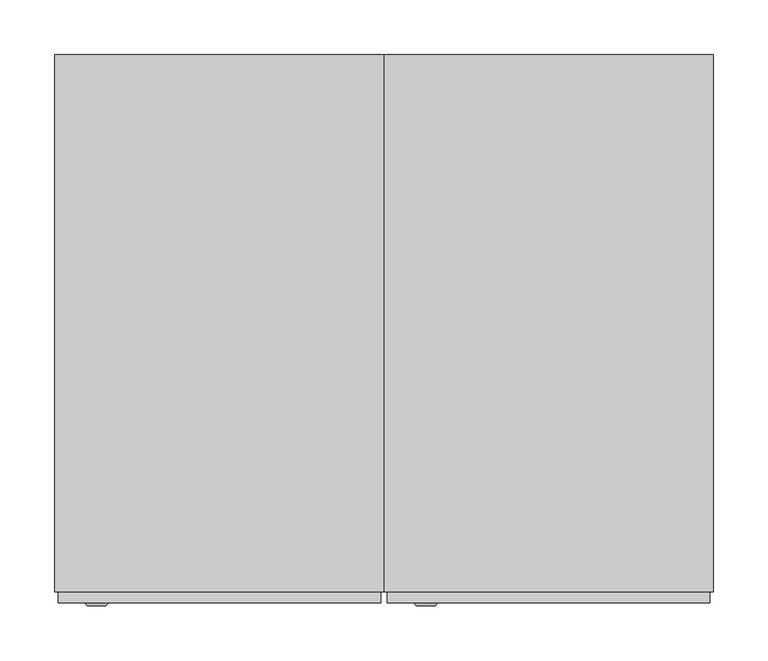
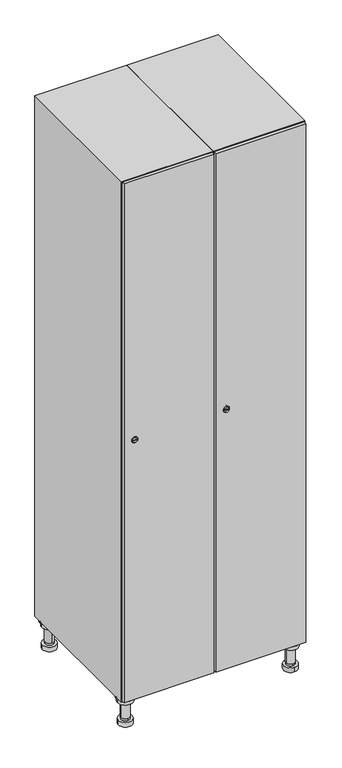
"""IFC4 building model written with IfcOpenShell, lengths in millimetres: furniture geometry."""

from ifc_helpers import new_model, si_unit, point, frame, frame_2d, origin, place, context, project, spatial, polyline, circle_curve, trimmed, segment, composite_curve, outline, extrude, faceted_brep, source, transform, mapped, element, save
from ifc_brep_helpers import plane_surface, cylinder_surface, revolved_surface, advanced_brep


def furniture_2d29ff12(model_context):
    return source(origin(), model_context, "Body", "SolidModel", [
        advanced_brep(
        [(370.0, -201.0, 22.0), (370.0, -201.5, 16.0), (370.0, -228.5, 16.0), (370.0, -229.0, 22.0), (356.0, -215.0, 22.0), (384.0, -215.0, 22.0), (370.0, -192.5, 16.0), (370.0, -237.5, 16.0), (370.0, -192.5, 0.0), (370.0, -237.5, 0.0), (384.0, -215.0, 78.0), (356.0, -215.0, 78.0), (395.0, -215.0, 78.0), (345.0, -215.0, 78.0), (400.0, -215.0, 94.0), (340.0, -215.0, 94.0), (345.0, -215.0, 94.0), (395.0, -215.0, 94.0), (400.0, -215.0, 100.0), (340.0, -215.0, 100.0)],
        [
            (0, 1),
            (1, 2, circle_curve(frame((370.0, -215.0, 16.0), z_axis=(0.0, 0.0, 1.0), x_axis=(0.0, -1.0, 0.0)), 13.5)),
            (2, 3),
            (3, 4, circle_curve(frame((370.0, -215.0, 22.0), z_axis=(0.0, 0.0, -1.0), x_axis=(0.0, -1.0, 0.0)), 14.0)),
            (4, 0, circle_curve(frame((370.0, -215.0, 22.0), z_axis=(0.0, 0.0, -1.0), x_axis=(0.0, -1.0, 0.0)), 14.0)),
            (0, 5, circle_curve(frame((370.0, -215.0, 22.0), z_axis=(0.0, 0.0, -1.0), x_axis=(0.0, 1.0, 0.0)), 14.0)),
            (5, 3, circle_curve(frame((370.0, -215.0, 22.0), z_axis=(0.0, 0.0, -1.0), x_axis=(0.0, 1.0, 0.0)), 14.0)),
            (2, 1, circle_curve(frame((370.0, -215.0, 16.0), z_axis=(0.0, 0.0, 1.0), x_axis=(0.0, 1.0, 0.0)), 13.5)),
            (6, 7, circle_curve(frame((370.0, -215.0, 16.0), z_axis=(0.0, 0.0, 1.0), x_axis=(0.0, -1.0, 0.0)), 22.5)),
            (7, 6, circle_curve(frame((370.0, -215.0, 16.0), z_axis=(0.0, 0.0, 1.0), x_axis=(0.0, -1.0, 0.0)), 22.5)),
            (8, 9, circle_curve(frame((370.0, -215.0, 0.0), z_axis=(0.0, 0.0, -1.0), x_axis=(0.0, -1.0, 0.0)), 22.5)),
            (9, 8, circle_curve(frame((370.0, -215.0, 0.0), z_axis=(0.0, 0.0, -1.0), x_axis=(0.0, -1.0, 0.0)), 22.5)),
            (6, 8),
            (9, 7),
            (5, 10),
            (10, 11, circle_curve(frame((370.0, -215.0, 78.0), z_axis=(0.0, 0.0, -1.0), x_axis=(-1.0, 0.0, 0.0)), 14.0)),
            (11, 4),
            (11, 10, circle_curve(frame((370.0, -215.0, 78.0), z_axis=(0.0, 0.0, -1.0), x_axis=(-1.0, 0.0, 0.0)), 14.0)),
            (12, 13, circle_curve(frame((370.0, -215.0, 78.0), z_axis=(0.0, 0.0, -1.0), x_axis=(-1.0, 0.0, 0.0)), 25.0)),
            (13, 12, circle_curve(frame((370.0, -215.0, 78.0), z_axis=(0.0, 0.0, -1.0), x_axis=(-1.0, 0.0, 0.0)), 25.0)),
            (14, 15, circle_curve(frame((370.0, -215.0, 94.0), z_axis=(0.0, 0.0, -1.0), x_axis=(-1.0, 0.0, 0.0)), 30.0)),
            (15, 14, circle_curve(frame((370.0, -215.0, 94.0), z_axis=(0.0, 0.0, -1.0), x_axis=(-1.0, 0.0, 0.0)), 30.0)),
            (16, 17, circle_curve(frame((370.0, -215.0, 94.0), z_axis=(0.0, 0.0, 1.0), x_axis=(-1.0, 0.0, 0.0)), 25.0)),
            (17, 16, circle_curve(frame((370.0, -215.0, 94.0), z_axis=(0.0, 0.0, 1.0), x_axis=(-1.0, 0.0, 0.0)), 25.0)),
            (18, 19, circle_curve(frame((370.0, -215.0, 100.0), z_axis=(0.0, 0.0, 1.0), x_axis=(-1.0, 0.0, 0.0)), 30.0)),
            (19, 18, circle_curve(frame((370.0, -215.0, 100.0), z_axis=(0.0, 0.0, 1.0), x_axis=(-1.0, 0.0, 0.0)), 30.0)),
            (14, 18),
            (19, 15),
            (12, 17),
            (16, 13),
        ],
        [
            revolved_surface(polyline([(370.0, -201.5, 16.0), (370.0, -201.0, 22.0)]), (370.0, -215.0, -146.0), (0.0, 0.0, 1.0)),
            plane_surface(frame((370.0, 0.0, 16.0), z_axis=(0.0, 0.0, 1.0), x_axis=(0.0, -1.0, 0.0))),
            plane_surface(frame((370.0, 0.0, 0.0), z_axis=(0.0, 0.0, -1.0), x_axis=(0.0, -1.0, 0.0))),
            cylinder_surface(frame((370.0, -215.0, 16.0), z_axis=(0.0, 0.0, 1.0), x_axis=(0.0, -1.0, 0.0)), 22.5),
            cylinder_surface(frame((370.0, -215.0, 22.0), z_axis=(0.0, 0.0, -1.0), x_axis=(-1.0, 0.0, 0.0)), 14.0),
            plane_surface(frame((370.0, 0.0, 78.0), z_axis=(0.0, 0.0, -1.0), x_axis=(0.0, -1.0, 0.0))),
            plane_surface(frame((370.0, 0.0, 94.0), z_axis=(0.0, 0.0, -1.0), x_axis=(0.0, -1.0, 0.0))),
            plane_surface(frame((370.0, 0.0, 100.0), z_axis=(0.0, 0.0, 1.0), x_axis=(0.0, -1.0, 0.0))),
            cylinder_surface(frame((370.0, -215.0, 94.0), z_axis=(0.0, 0.0, -1.0), x_axis=(-1.0, 0.0, 0.0)), 30.0),
            cylinder_surface(frame((370.0, -215.0, 78.0), z_axis=(0.0, 0.0, -1.0), x_axis=(-1.0, 0.0, 0.0)), 25.0),
        ],
        [
            (0, [[1, 2, 3, 4, 5]]),
            (0, [[-1, 6, 7, -3, 8]]),
            (1, [[9, 10], [-2, -8]]),
            (2, [[11, 12]]),
            (3, [[-9, 13, -12, 14]]),
            (3, [[-10, -14, -11, -13]]),
            (4, [[15, 16, 17, -4, -7]]),
            (4, [[-15, -6, -5, -17, 18]]),
            (5, [[19, 20], [-16, -18]]),
            (6, [[21, 22], [23, 24]]),
            (7, [[25, 26]]),
            (8, [[-21, 27, -26, 28]]),
            (8, [[-22, -28, -25, -27]]),
            (9, [[-19, 29, -23, 30]]),
            (9, [[-20, -30, -24, -29]]),
        ],
    ),
        advanced_brep(
        [(-170.0, -201.0, 22.0), (-170.0, -201.5, 16.0), (-170.0, -228.5, 16.0), (-170.0, -229.0, 22.0), (-184.0, -215.0, 22.0), (-156.0, -215.0, 22.0), (-147.5, -215.0, 0.0), (-192.5, -215.0, 0.0), (-147.5, -215.0, 16.0), (-192.5, -215.0, 16.0), (-156.0, -215.0, 78.0), (-184.0, -215.0, 78.0), (-145.0, -215.0, 78.0), (-195.0, -215.0, 78.0), (-140.0, -215.0, 94.0), (-200.0, -215.0, 94.0), (-195.0, -215.0, 94.0), (-145.0, -215.0, 94.0), (-140.0, -215.0, 100.0), (-200.0, -215.0, 100.0)],
        [
            (0, 1),
            (1, 2, circle_curve(frame((-170.0, -215.0, 16.0), z_axis=(0.0, 0.0, 1.0), x_axis=(0.0, -1.0, 0.0)), 13.5)),
            (2, 3),
            (3, 4, circle_curve(frame((-170.0, -215.0, 22.0), z_axis=(0.0, 0.0, -1.0), x_axis=(0.0, -1.0, 0.0)), 14.0)),
            (4, 0, circle_curve(frame((-170.0, -215.0, 22.0), z_axis=(0.0, 0.0, -1.0), x_axis=(0.0, -1.0, 0.0)), 14.0)),
            (0, 5, circle_curve(frame((-170.0, -215.0, 22.0), z_axis=(0.0, 0.0, -1.0), x_axis=(0.0, 1.0, 0.0)), 14.0)),
            (5, 3, circle_curve(frame((-170.0, -215.0, 22.0), z_axis=(0.0, 0.0, -1.0), x_axis=(0.0, 1.0, 0.0)), 14.0)),
            (2, 1, circle_curve(frame((-170.0, -215.0, 16.0), z_axis=(0.0, 0.0, 1.0), x_axis=(0.0, 1.0, 0.0)), 13.5)),
            (6, 7, circle_curve(frame((-170.0, -215.0, 0.0), z_axis=(0.0, 0.0, -1.0), x_axis=(-1.0, 0.0, 0.0)), 22.5)),
            (7, 6, circle_curve(frame((-170.0, -215.0, 0.0), z_axis=(0.0, 0.0, -1.0), x_axis=(-1.0, 0.0, 0.0)), 22.5)),
            (8, 9, circle_curve(frame((-170.0, -215.0, 16.0), z_axis=(0.0, 0.0, 1.0), x_axis=(-1.0, 0.0, 0.0)), 22.5)),
            (9, 8, circle_curve(frame((-170.0, -215.0, 16.0), z_axis=(0.0, 0.0, 1.0), x_axis=(-1.0, 0.0, 0.0)), 22.5)),
            (6, 8),
            (9, 7),
            (5, 10),
            (10, 11, circle_curve(frame((-170.0, -215.0, 78.0), z_axis=(0.0, 0.0, -1.0), x_axis=(-1.0, 0.0, 0.0)), 14.0)),
            (11, 4),
            (11, 10, circle_curve(frame((-170.0, -215.0, 78.0), z_axis=(0.0, 0.0, -1.0), x_axis=(-1.0, 0.0, 0.0)), 14.0)),
            (12, 13, circle_curve(frame((-170.0, -215.0, 78.0), z_axis=(0.0, 0.0, -1.0), x_axis=(-1.0, 0.0, 0.0)), 25.0)),
            (13, 12, circle_curve(frame((-170.0, -215.0, 78.0), z_axis=(0.0, 0.0, -1.0), x_axis=(-1.0, 0.0, 0.0)), 25.0)),
            (14, 15, circle_curve(frame((-170.0, -215.0, 94.0), z_axis=(0.0, 0.0, -1.0), x_axis=(-1.0, 0.0, 0.0)), 30.0)),
            (15, 14, circle_curve(frame((-170.0, -215.0, 94.0), z_axis=(0.0, 0.0, -1.0), x_axis=(-1.0, 0.0, 0.0)), 30.0)),
            (16, 17, circle_curve(frame((-170.0, -215.0, 94.0), z_axis=(0.0, 0.0, 1.0), x_axis=(-1.0, 0.0, 0.0)), 25.0)),
            (17, 16, circle_curve(frame((-170.0, -215.0, 94.0), z_axis=(0.0, 0.0, 1.0), x_axis=(-1.0, 0.0, 0.0)), 25.0)),
            (18, 19, circle_curve(frame((-170.0, -215.0, 100.0), z_axis=(0.0, 0.0, 1.0), x_axis=(-1.0, 0.0, 0.0)), 30.0)),
            (19, 18, circle_curve(frame((-170.0, -215.0, 100.0), z_axis=(0.0, 0.0, 1.0), x_axis=(-1.0, 0.0, 0.0)), 30.0)),
            (14, 18),
            (19, 15),
            (12, 17),
            (16, 13),
        ],
        [
            revolved_surface(polyline([(-170.0, -201.5, 16.0), (-170.0, -201.0, 22.0)]), (-170.0, -215.0, -146.0), (0.0, 0.0, 1.0)),
            plane_surface(frame((-170.0, 0.0, 0.0), z_axis=(0.0, 0.0, -1.0), x_axis=(0.0, -1.0, 0.0))),
            plane_surface(frame((-170.0, 0.0, 16.0), z_axis=(0.0, 0.0, 1.0), x_axis=(0.0, -1.0, 0.0))),
            cylinder_surface(frame((-170.0, -215.0, 0.0), z_axis=(0.0, 0.0, -1.0), x_axis=(-1.0, 0.0, 0.0)), 22.5),
            cylinder_surface(frame((-170.0, -215.0, 22.0), z_axis=(0.0, 0.0, -1.0), x_axis=(-1.0, 0.0, 0.0)), 14.0),
            plane_surface(frame((-170.0, 0.0, 78.0), z_axis=(0.0, 0.0, -1.0), x_axis=(0.0, -1.0, 0.0))),
            plane_surface(frame((-170.0, 0.0, 94.0), z_axis=(0.0, 0.0, -1.0), x_axis=(0.0, -1.0, 0.0))),
            plane_surface(frame((-170.0, 0.0, 100.0), z_axis=(0.0, 0.0, 1.0), x_axis=(0.0, -1.0, 0.0))),
            cylinder_surface(frame((-170.0, -215.0, 94.0), z_axis=(0.0, 0.0, -1.0), x_axis=(-1.0, 0.0, 0.0)), 30.0),
            cylinder_surface(frame((-170.0, -215.0, 78.0), z_axis=(0.0, 0.0, -1.0), x_axis=(-1.0, 0.0, 0.0)), 25.0),
        ],
        [
            (0, [[1, 2, 3, 4, 5]]),
            (0, [[-1, 6, 7, -3, 8]]),
            (1, [[9, 10]]),
            (2, [[11, 12], [-2, -8]]),
            (3, [[-9, 13, -12, 14]]),
            (3, [[-10, -14, -11, -13]]),
            (4, [[15, 16, 17, -4, -7]]),
            (4, [[-15, -6, -5, -17, 18]]),
            (5, [[19, 20], [-16, -18]]),
            (6, [[21, 22], [23, 24]]),
            (7, [[25, 26]]),
            (8, [[-21, 27, -26, 28]]),
            (8, [[-22, -28, -25, -27]]),
            (9, [[-19, 29, -23, 30]]),
            (9, [[-20, -30, -24, -29]]),
        ],
    ),
        advanced_brep(
        [(383.5, 215.0, 16.0), (384.0, 215.0, 22.0), (356.0, 215.0, 22.0), (356.5, 215.0, 16.0), (392.5, 215.0, 0.0), (347.5, 215.0, 0.0), (392.5, 215.0, 16.0), (347.5, 215.0, 16.0), (384.0, 215.0, 78.0), (356.0, 215.0, 78.0), (395.0, 215.0, 78.0), (345.0, 215.0, 78.0), (400.0, 215.0, 94.0), (340.0, 215.0, 94.0), (345.0, 215.0, 94.0), (395.0, 215.0, 94.0), (400.0, 215.0, 100.0), (340.0, 215.0, 100.0)],
        [
            (0, 1),
            (1, 2, circle_curve(frame((370.0, 215.0, 22.0), z_axis=(0.0, 0.0, -1.0), x_axis=(-1.0, 0.0, 0.0)), 14.0)),
            (2, 3),
            (3, 0, circle_curve(frame((370.0, 215.0, 16.0), z_axis=(0.0, 0.0, 1.0), x_axis=(-1.0, 0.0, 0.0)), 13.5)),
            (0, 3, circle_curve(frame((370.0, 215.0, 16.0), z_axis=(0.0, 0.0, 1.0), x_axis=(1.0, 0.0, 0.0)), 13.5)),
            (2, 1, circle_curve(frame((370.0, 215.0, 22.0), z_axis=(0.0, 0.0, -1.0), x_axis=(1.0, 0.0, 0.0)), 14.0)),
            (4, 5, circle_curve(frame((370.0, 215.0, 0.0), z_axis=(0.0, 0.0, -1.0), x_axis=(-1.0, 0.0, 0.0)), 22.5)),
            (5, 4, circle_curve(frame((370.0, 215.0, 0.0), z_axis=(0.0, 0.0, -1.0), x_axis=(-1.0, 0.0, 0.0)), 22.5)),
            (6, 7, circle_curve(frame((370.0, 215.0, 16.0), z_axis=(0.0, 0.0, 1.0), x_axis=(-1.0, 0.0, 0.0)), 22.5)),
            (7, 6, circle_curve(frame((370.0, 215.0, 16.0), z_axis=(0.0, 0.0, 1.0), x_axis=(-1.0, 0.0, 0.0)), 22.5)),
            (4, 6),
            (7, 5),
            (1, 8),
            (8, 9, circle_curve(frame((370.0, 215.0, 78.0), z_axis=(0.0, 0.0, -1.0), x_axis=(-1.0, 0.0, 0.0)), 14.0)),
            (9, 2),
            (9, 8, circle_curve(frame((370.0, 215.0, 78.0), z_axis=(0.0, 0.0, -1.0), x_axis=(-1.0, 0.0, 0.0)), 14.0)),
            (10, 11, circle_curve(frame((370.0, 215.0, 78.0), z_axis=(0.0, 0.0, -1.0), x_axis=(-1.0, 0.0, 0.0)), 25.0)),
            (11, 10, circle_curve(frame((370.0, 215.0, 78.0), z_axis=(0.0, 0.0, -1.0), x_axis=(-1.0, 0.0, 0.0)), 25.0)),
            (12, 13, circle_curve(frame((370.0, 215.0, 94.0), z_axis=(0.0, 0.0, -1.0), x_axis=(-1.0, 0.0, 0.0)), 30.0)),
            (13, 12, circle_curve(frame((370.0, 215.0, 94.0), z_axis=(0.0, 0.0, -1.0), x_axis=(-1.0, 0.0, 0.0)), 30.0)),
            (14, 15, circle_curve(frame((370.0, 215.0, 94.0), z_axis=(0.0, 0.0, 1.0), x_axis=(-1.0, 0.0, 0.0)), 25.0)),
            (15, 14, circle_curve(frame((370.0, 215.0, 94.0), z_axis=(0.0, 0.0, 1.0), x_axis=(-1.0, 0.0, 0.0)), 25.0)),
            (16, 17, circle_curve(frame((370.0, 215.0, 100.0), z_axis=(0.0, 0.0, 1.0), x_axis=(-1.0, 0.0, 0.0)), 30.0)),
            (17, 16, circle_curve(frame((370.0, 215.0, 100.0), z_axis=(0.0, 0.0, 1.0), x_axis=(-1.0, 0.0, 0.0)), 30.0)),
            (12, 16),
            (17, 13),
            (10, 15),
            (14, 11),
        ],
        [
            revolved_surface(polyline([(383.5, 215.0, 16.0), (384.0, 215.0, 22.0)]), (370.0, 215.0, -146.0), (0.0, 0.0, 1.0)),
            plane_surface(frame((370.0, 0.0, 0.0), z_axis=(0.0, 0.0, -1.0), x_axis=(0.0, -1.0, 0.0))),
            plane_surface(frame((370.0, 0.0, 16.0), z_axis=(0.0, 0.0, 1.0), x_axis=(0.0, -1.0, 0.0))),
            cylinder_surface(frame((370.0, 215.0, 0.0), z_axis=(0.0, 0.0, -1.0), x_axis=(-1.0, 0.0, 0.0)), 22.5),
            cylinder_surface(frame((370.0, 215.0, 22.0), z_axis=(0.0, 0.0, -1.0), x_axis=(-1.0, 0.0, 0.0)), 14.0),
            plane_surface(frame((370.0, 0.0, 78.0), z_axis=(0.0, 0.0, -1.0), x_axis=(0.0, -1.0, 0.0))),
            plane_surface(frame((370.0, 0.0, 94.0), z_axis=(0.0, 0.0, -1.0), x_axis=(0.0, -1.0, 0.0))),
            plane_surface(frame((370.0, 0.0, 100.0), z_axis=(0.0, 0.0, 1.0), x_axis=(0.0, -1.0, 0.0))),
            cylinder_surface(frame((370.0, 215.0, 94.0), z_axis=(0.0, 0.0, -1.0), x_axis=(-1.0, 0.0, 0.0)), 30.0),
            cylinder_surface(frame((370.0, 215.0, 78.0), z_axis=(0.0, 0.0, -1.0), x_axis=(-1.0, 0.0, 0.0)), 25.0),
        ],
        [
            (0, [[1, 2, 3, 4]]),
            (0, [[-1, 5, -3, 6]]),
            (1, [[7, 8]]),
            (2, [[9, 10], [-4, -5]]),
            (3, [[-7, 11, -10, 12]]),
            (3, [[-8, -12, -9, -11]]),
            (4, [[13, 14, 15, -2]]),
            (4, [[-13, -6, -15, 16]]),
            (5, [[17, 18], [-14, -16]]),
            (6, [[19, 20], [21, 22]]),
            (7, [[23, 24]]),
            (8, [[-19, 25, -24, 26]]),
            (8, [[-20, -26, -23, -25]]),
            (9, [[-17, 27, -21, 28]]),
            (9, [[-18, -28, -22, -27]]),
        ],
    ),
        advanced_brep(
        [(-156.5, 215.0, 16.0), (-156.0, 215.0, 22.0), (-170.0, 201.0, 22.0), (-184.0, 215.0, 22.0), (-183.5, 215.0, 16.0), (-170.0, 229.0, 22.0), (-147.5, 215.0, 0.0), (-192.5, 215.0, 0.0), (-147.5, 215.0, 16.0), (-192.5, 215.0, 16.0), (-170.0, 229.0, 78.0), (-170.0, 201.0, 78.0), (-145.0, 215.0, 78.0), (-195.0, 215.0, 78.0), (-140.0, 215.0, 94.0), (-200.0, 215.0, 94.0), (-195.0, 215.0, 94.0), (-145.0, 215.0, 94.0), (-140.0, 215.0, 100.0), (-200.0, 215.0, 100.0)],
        [
            (0, 1),
            (1, 2, circle_curve(frame((-170.0, 215.0, 22.0), z_axis=(0.0, 0.0, -1.0), x_axis=(-1.0, 0.0, 0.0)), 14.0)),
            (2, 3, circle_curve(frame((-170.0, 215.0, 22.0), z_axis=(0.0, 0.0, -1.0), x_axis=(-1.0, 0.0, 0.0)), 14.0)),
            (3, 4),
            (4, 0, circle_curve(frame((-170.0, 215.0, 16.0), z_axis=(0.0, 0.0, 1.0), x_axis=(-1.0, 0.0, 0.0)), 13.5)),
            (0, 4, circle_curve(frame((-170.0, 215.0, 16.0), z_axis=(0.0, 0.0, 1.0), x_axis=(1.0, 0.0, 0.0)), 13.5)),
            (3, 5, circle_curve(frame((-170.0, 215.0, 22.0), z_axis=(0.0, 0.0, -1.0), x_axis=(1.0, 0.0, 0.0)), 14.0)),
            (5, 1, circle_curve(frame((-170.0, 215.0, 22.0), z_axis=(0.0, 0.0, -1.0), x_axis=(1.0, 0.0, 0.0)), 14.0)),
            (6, 7, circle_curve(frame((-170.0, 215.0, 0.0), z_axis=(0.0, 0.0, -1.0), x_axis=(-1.0, 0.0, 0.0)), 22.5)),
            (7, 6, circle_curve(frame((-170.0, 215.0, 0.0), z_axis=(0.0, 0.0, -1.0), x_axis=(-1.0, 0.0, 0.0)), 22.5)),
            (8, 9, circle_curve(frame((-170.0, 215.0, 16.0), z_axis=(0.0, 0.0, 1.0), x_axis=(-1.0, 0.0, 0.0)), 22.5)),
            (9, 8, circle_curve(frame((-170.0, 215.0, 16.0), z_axis=(0.0, 0.0, 1.0), x_axis=(-1.0, 0.0, 0.0)), 22.5)),
            (6, 8),
            (9, 7),
            (10, 5),
            (2, 11),
            (11, 10, circle_curve(frame((-170.0, 215.0, 78.0), z_axis=(0.0, 0.0, -1.0), x_axis=(0.0, -1.0, 0.0)), 14.0)),
            (10, 11, circle_curve(frame((-170.0, 215.0, 78.0), z_axis=(0.0, 0.0, -1.0), x_axis=(0.0, -1.0, 0.0)), 14.0)),
            (12, 13, circle_curve(frame((-170.0, 215.0, 78.0), z_axis=(0.0, 0.0, -1.0), x_axis=(-1.0, 0.0, 0.0)), 25.0)),
            (13, 12, circle_curve(frame((-170.0, 215.0, 78.0), z_axis=(0.0, 0.0, -1.0), x_axis=(-1.0, 0.0, 0.0)), 25.0)),
            (14, 15, circle_curve(frame((-170.0, 215.0, 94.0), z_axis=(0.0, 0.0, -1.0), x_axis=(-1.0, 0.0, 0.0)), 30.0)),
            (15, 14, circle_curve(frame((-170.0, 215.0, 94.0), z_axis=(0.0, 0.0, -1.0), x_axis=(-1.0, 0.0, 0.0)), 30.0)),
            (16, 17, circle_curve(frame((-170.0, 215.0, 94.0), z_axis=(0.0, 0.0, 1.0), x_axis=(-1.0, 0.0, 0.0)), 25.0)),
            (17, 16, circle_curve(frame((-170.0, 215.0, 94.0), z_axis=(0.0, 0.0, 1.0), x_axis=(-1.0, 0.0, 0.0)), 25.0)),
            (18, 19, circle_curve(frame((-170.0, 215.0, 100.0), z_axis=(0.0, 0.0, 1.0), x_axis=(-1.0, 0.0, 0.0)), 30.0)),
            (19, 18, circle_curve(frame((-170.0, 215.0, 100.0), z_axis=(0.0, 0.0, 1.0), x_axis=(-1.0, 0.0, 0.0)), 30.0)),
            (14, 18),
            (19, 15),
            (12, 17),
            (16, 13),
        ],
        [
            revolved_surface(polyline([(-156.5, 215.0, 16.0), (-156.0, 215.0, 22.0)]), (-170.0, 215.0, -146.0), (0.0, 0.0, 1.0)),
            plane_surface(frame((-170.0, 0.0, 0.0), z_axis=(0.0, 0.0, -1.0), x_axis=(0.0, -1.0, 0.0))),
            plane_surface(frame((-170.0, 0.0, 16.0), z_axis=(0.0, 0.0, 1.0), x_axis=(0.0, -1.0, 0.0))),
            cylinder_surface(frame((-170.0, 215.0, 0.0), z_axis=(0.0, 0.0, -1.0), x_axis=(-1.0, 0.0, 0.0)), 22.5),
            cylinder_surface(frame((-170.0, 215.0, 78.0), z_axis=(0.0, 0.0, 1.0), x_axis=(0.0, -1.0, 0.0)), 14.0),
            plane_surface(frame((-170.0, 0.0, 78.0), z_axis=(0.0, 0.0, -1.0), x_axis=(0.0, -1.0, 0.0))),
            plane_surface(frame((-170.0, 0.0, 94.0), z_axis=(0.0, 0.0, -1.0), x_axis=(0.0, -1.0, 0.0))),
            plane_surface(frame((-170.0, 0.0, 100.0), z_axis=(0.0, 0.0, 1.0), x_axis=(0.0, -1.0, 0.0))),
            cylinder_surface(frame((-170.0, 215.0, 94.0), z_axis=(0.0, 0.0, -1.0), x_axis=(-1.0, 0.0, 0.0)), 30.0),
            cylinder_surface(frame((-170.0, 215.0, 78.0), z_axis=(0.0, 0.0, -1.0), x_axis=(-1.0, 0.0, 0.0)), 25.0),
        ],
        [
            (0, [[1, 2, 3, 4, 5]]),
            (0, [[-1, 6, -4, 7, 8]]),
            (1, [[9, 10]]),
            (2, [[11, 12], [-5, -6]]),
            (3, [[-9, 13, -12, 14]]),
            (3, [[-10, -14, -11, -13]]),
            (4, [[15, -7, -3, 16, 17]]),
            (4, [[-15, 18, -16, -2, -8]]),
            (5, [[19, 20], [-17, -18]]),
            (6, [[21, 22], [23, 24]]),
            (7, [[25, 26]]),
            (8, [[-21, 27, -26, 28]]),
            (8, [[-22, -28, -25, -27]]),
            (9, [[-19, 29, -23, 30]]),
            (9, [[-20, -30, -24, -29]]),
        ],
    ),
        extrude(outline(composite_curve([segment(trimmed(circle_curve(frame_2d((1000.0, 111.2010534)), 7.0), [point((1007.0, 111.2010534))], [point((993.0, 111.2010534))], False, "CARTESIAN"), True, "CONTINUOUS"), segment(polyline([(993.0, 111.2010534), (993.0, 139.2010534)]), True, "CONTINUOUS"), segment(trimmed(circle_curve(frame_2d((1000.0, 139.2010534)), 7.0), [point((993.0, 139.2010534))], [point((1007.0, 139.2010534))], False, "CARTESIAN"), True, "CONTINUOUS"), segment(polyline([(1007.0, 139.2010534), (1007.0, 111.2010534)]), True, "CONTINUOUS")], self_intersect=False)), frame((0.0, -245.0, 0.0), z_axis=(0.0, 1.0, 0.0), x_axis=(0.0, 0.0, 1.0)), (0.0, 0.0, 1.0), 2.0),
        advanced_brep(
        [(146.5, -257.2, 1000.0), (129.5, -257.2, 1000.0), (133.0, -257.2, 998.75), (133.0, -257.2, 1001.25), (143.0, -257.2, 1001.25), (143.0, -257.2, 998.75), (148.5, -255.0, 1000.0), (127.5, -255.0, 1000.0), (133.0, -255.0, 1001.25), (133.0, -255.0, 998.75), (143.0, -255.0, 998.75), (143.0, -255.0, 1001.25)],
        [
            (0, 1, circle_curve(frame((138.0, -257.2, 1000.0), z_axis=(0.0, -1.0, 0.0), x_axis=(1.0, 0.0, 0.0)), 8.5)),
            (1, 0, circle_curve(frame((138.0, -257.2, 1000.0), z_axis=(0.0, -1.0, 0.0), x_axis=(-1.0, 0.0, 0.0)), 8.5)),
            (2, 3),
            (3, 4),
            (4, 5),
            (5, 2),
            (6, 7, circle_curve(frame((138.0, -255.0, 1000.0), z_axis=(0.0, 1.0, 0.0), x_axis=(-1.0, 0.0, 0.0)), 10.5)),
            (7, 6, circle_curve(frame((138.0, -255.0, 1000.0), z_axis=(0.0, 1.0, 0.0), x_axis=(1.0, 0.0, 0.0)), 10.5)),
            (8, 9),
            (9, 10),
            (10, 11),
            (11, 8),
            (0, 6),
            (7, 1),
            (8, 3),
            (2, 9),
            (11, 4),
            (10, 5),
        ],
        [
            plane_surface(frame((138.0, -257.2, 1000.0), z_axis=(0.0, -1.0, 0.0), x_axis=(0.0, 0.0, 1.0))),
            plane_surface(frame((138.0, -255.0, 1000.0), z_axis=(0.0, 1.0, 0.0), x_axis=(0.0, 0.0, 1.0))),
            revolved_surface(polyline([(146.5, -257.2, 1000.0), (148.5, -255.0, 1000.0)]), (138.0, -266.55, 1000.0), (0.0, 1.0, 0.0)),
            revolved_surface(polyline([(129.5, -257.2, 1000.0), (127.5, -255.0, 1000.0)]), (138.0, -266.55, 1000.0), (0.0, 1.0, 0.0)),
            plane_surface(frame((133.0, -255.0, 998.75), z_axis=(1.0, 0.0, 0.0), x_axis=(0.0, -1.0, 0.0))),
            plane_surface(frame((133.0, -255.0, 1001.25), z_axis=(0.0, 0.0, -1.0), x_axis=(0.0, -1.0, 0.0))),
            plane_surface(frame((143.0, -255.0, 1001.25), z_axis=(-1.0, 0.0, 0.0), x_axis=(0.0, -1.0, 0.0))),
            plane_surface(frame((143.0, -255.0, 998.75), z_axis=(0.0, 0.0, 1.0), x_axis=(0.0, -1.0, 0.0))),
        ],
        [
            (0, [[1, 2], [3, 4, 5, 6]]),
            (1, [[7, 8], [9, 10, 11, 12]]),
            (2, [[-1, 13, -8, 14]]),
            (3, [[-2, -14, -7, -13]]),
            (4, [[15, -3, 16, -9]]),
            (5, [[-15, -12, 17, -4]]),
            (6, [[-17, -11, 18, -5]]),
            (7, [[-16, -6, -18, -10]]),
        ],
    ),
        extrude(outline(polyline([(397.0, -245.0), (397.0, -255.0), (103.0, -255.0), (103.0, -245.0), (397.0, -245.0)])), frame((0.0, 0.0, 103.0), z_axis=(0.0, 0.0, 1.0), x_axis=(1.0, 0.0, 0.0)), (0.0, 0.0, 1.0), 1794.0),
        faceted_brep([(400.0, -245.0, 100.0), (400.0, -245.0, 1900.0), (100.0, -245.0, 1900.0), (100.0, -245.0, 100.0), (390.0, -245.0, 1890.0), (390.0, -245.0, 110.0), (110.0, -245.0, 110.0), (110.0, -245.0, 1890.0), (400.0, 245.0, 100.0), (100.0, 245.0, 100.0), (400.0, 245.0, 1900.0), (100.0, 245.0, 1900.0), (390.0, 241.0, 1890.0), (390.0, 241.0, 110.0), (100.0, 245.0, 1890.0), (110.0, 241.0, 1890.0), (110.0, 241.0, 110.0)], [[[0, 1, 2, 3], [4, 5, 6, 7]], [[8, 0, 3, 9]], [[1, 0, 8, 10]], [[1, 10, 11, 2]], [[4, 12, 13, 5]], [[9, 3, 2, 11, 14]], [[10, 8, 9, 14, 11]], [[12, 15, 16, 13]], [[15, 7, 6, 16]], [[4, 7, 15, 12]], [[6, 5, 13, 16]]]),
        extrude(outline(composite_curve([segment(trimmed(circle_curve(frame_2d((1000.0, -188.7989466)), 7.0), [point((1007.0, -188.7989466))], [point((993.0, -188.7989466))], False, "CARTESIAN"), True, "CONTINUOUS"), segment(polyline([(993.0, -188.7989466), (993.0, -160.7989466)]), True, "CONTINUOUS"), segment(trimmed(circle_curve(frame_2d((1000.0, -160.7989466)), 7.0), [point((993.0, -160.7989466))], [point((1007.0, -160.7989466))], False, "CARTESIAN"), True, "CONTINUOUS"), segment(polyline([(1007.0, -160.7989466), (1007.0, -188.7989466)]), True, "CONTINUOUS")], self_intersect=False)), frame((0.0, -245.0, 0.0), z_axis=(0.0, 1.0, 0.0), x_axis=(0.0, 0.0, 1.0)), (0.0, 0.0, 1.0), 2.0),
        advanced_brep(
        [(-153.5, -257.2, 1000.0), (-170.5, -257.2, 1000.0), (-167.0, -257.2, 998.75), (-167.0, -257.2, 1001.25), (-157.0, -257.2, 1001.25), (-157.0, -257.2, 998.75), (-151.5, -255.0, 1000.0), (-172.5, -255.0, 1000.0), (-167.0, -255.0, 1001.25), (-167.0, -255.0, 998.75), (-157.0, -255.0, 998.75), (-157.0, -255.0, 1001.25)],
        [
            (0, 1, circle_curve(frame((-162.0, -257.2, 1000.0), z_axis=(0.0, -1.0, 0.0), x_axis=(1.0, 0.0, 0.0)), 8.5)),
            (1, 0, circle_curve(frame((-162.0, -257.2, 1000.0), z_axis=(0.0, -1.0, 0.0), x_axis=(-1.0, 0.0, 0.0)), 8.5)),
            (2, 3),
            (3, 4),
            (4, 5),
            (5, 2),
            (6, 7, circle_curve(frame((-162.0, -255.0, 1000.0), z_axis=(0.0, 1.0, 0.0), x_axis=(-1.0, 0.0, 0.0)), 10.5)),
            (7, 6, circle_curve(frame((-162.0, -255.0, 1000.0), z_axis=(0.0, 1.0, 0.0), x_axis=(1.0, 0.0, 0.0)), 10.5)),
            (8, 9),
            (9, 10),
            (10, 11),
            (11, 8),
            (0, 6),
            (7, 1),
            (8, 3),
            (2, 9),
            (11, 4),
            (10, 5),
        ],
        [
            plane_surface(frame((-162.0, -257.2, 1000.0), z_axis=(0.0, -1.0, 0.0), x_axis=(0.0, 0.0, 1.0))),
            plane_surface(frame((-162.0, -255.0, 1000.0), z_axis=(0.0, 1.0, 0.0), x_axis=(0.0, 0.0, 1.0))),
            revolved_surface(polyline([(-153.5, -257.2, 1000.0), (-151.5, -255.0, 1000.0)]), (-162.0, -266.55, 1000.0), (0.0, 1.0, 0.0)),
            revolved_surface(polyline([(-170.5, -257.2, 1000.0), (-172.5, -255.0, 1000.0)]), (-162.0, -266.55, 1000.0), (0.0, 1.0, 0.0)),
            plane_surface(frame((-167.0, -255.0, 998.75), z_axis=(1.0, 0.0, 0.0), x_axis=(0.0, -1.0, 0.0))),
            plane_surface(frame((-167.0, -255.0, 1001.25), z_axis=(0.0, 0.0, -1.0), x_axis=(0.0, -1.0, 0.0))),
            plane_surface(frame((-157.0, -255.0, 1001.25), z_axis=(-1.0, 0.0, 0.0), x_axis=(0.0, -1.0, 0.0))),
            plane_surface(frame((-157.0, -255.0, 998.75), z_axis=(0.0, 0.0, 1.0), x_axis=(0.0, -1.0, 0.0))),
        ],
        [
            (0, [[1, 2], [3, 4, 5, 6]]),
            (1, [[7, 8], [9, 10, 11, 12]]),
            (2, [[-1, 13, -8, 14]]),
            (3, [[-2, -14, -7, -13]]),
            (4, [[15, -3, 16, -9]]),
            (5, [[-15, -12, 17, -4]]),
            (6, [[-17, -11, 18, -5]]),
            (7, [[-16, -6, -18, -10]]),
        ],
    ),
        extrude(outline(polyline([(97.0, -245.0), (97.0, -255.0), (-197.0, -255.0), (-197.0, -245.0), (97.0, -245.0)])), frame((0.0, 0.0, 103.0), z_axis=(0.0, 0.0, 1.0), x_axis=(1.0, 0.0, 0.0)), (0.0, 0.0, 1.0), 1794.0),
        faceted_brep([(100.0, -245.0, 100.0), (100.0, -245.0, 1900.0), (-200.0, -245.0, 1900.0), (-200.0, -245.0, 100.0), (90.0, -245.0, 1890.0), (90.0, -245.0, 110.0), (-190.0, -245.0, 110.0), (-190.0, -245.0, 1890.0), (100.0, 245.0, 100.0), (-200.0, 245.0, 100.0), (100.0, 245.0, 1900.0), (-200.0, 245.0, 1900.0), (90.0, 241.0, 1890.0), (90.0, 241.0, 110.0), (-200.0, 245.0, 1890.0), (-190.0, 241.0, 1890.0), (-190.0, 241.0, 110.0)], [[[0, 1, 2, 3], [4, 5, 6, 7]], [[8, 0, 3, 9]], [[1, 0, 8, 10]], [[1, 10, 11, 2]], [[4, 12, 13, 5]], [[9, 3, 2, 11, 14]], [[10, 8, 9, 14, 11]], [[12, 15, 16, 13]], [[15, 7, 6, 16]], [[4, 7, 15, 12]], [[6, 5, 13, 16]]]),
    ])


if __name__ == "__main__":
    model = new_model("IFC4")
    model_context = context("Model", 3, world=origin())
    ifc_project = project(units=[si_unit("LENGTHUNIT", "METRE", prefix="MILLI")], contexts=[model_context])
    site = spatial("IfcSite", under=ifc_project)
    building = spatial("IfcBuilding", under=site)
    placement = place(None, origin())
    furniture_shape = furniture_2d29ff12(model_context)
    element("IfcFurniture", 1, at=placement, inside=building, context=model_context, shape_type="MappedRepresentation", body=[
        mapped(furniture_shape, transform((0.0, 0.0, 0.0), x_axis=(1.0, 0.0, 0.0), y_axis=(0.0, 1.0, 0.0), z_axis=(0.0, 0.0, 1.0))),
    ])
    save(model, "model.ifc")
